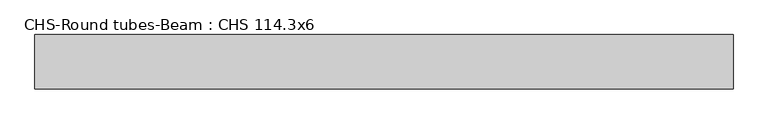
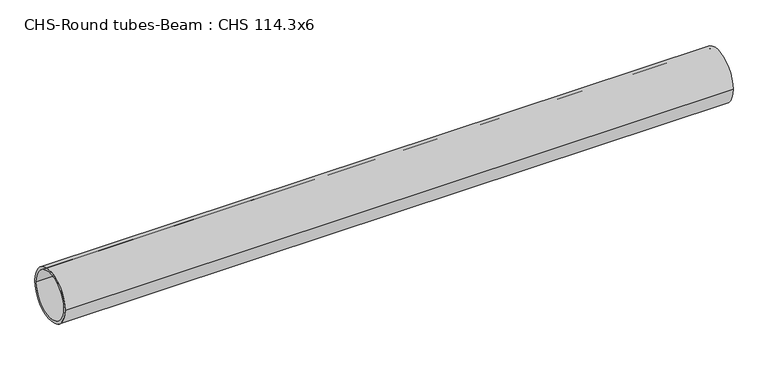
"""IFC4 building model written with IfcOpenShell, lengths in millimetres: beam geometry, CHS-Round tubes-Beam : CHS 114.3x6."""

from ifc_helpers import new_model, si_unit, point, frame, origin, origin_2d, place, context, project, spatial, circle_curve, trimmed, segment, composite_curve, outline, extrude, source, transform, mapped, element, save


def chs_round_tubes_beam_chs_114_3x6_1e14e6a9(model_context):
    return source(origin(), model_context, "Body", "SweptSolid", [
        extrude(outline(composite_curve([segment(trimmed(circle_curve(origin_2d(), 57.15), [point((57.15, 0.0))], [point((-57.15, 0.0))], False, "CARTESIAN"), True, "CONTINUOUS"), segment(trimmed(circle_curve(origin_2d(), 57.15), [point((-57.15, 0.0))], [point((57.15, 0.0))], False, "CARTESIAN"), True, "CONTINUOUS")], self_intersect=False), holes=[composite_curve([segment(trimmed(circle_curve(origin_2d(), 51.15), [point((51.15, 0.0))], [point((-51.15, 0.0))], True, "CARTESIAN"), True, "CONTINUOUS"), segment(trimmed(circle_curve(origin_2d(), 51.15), [point((-51.15, 0.0))], [point((51.15, 0.0))], True, "CARTESIAN"), True, "CONTINUOUS")], self_intersect=False)]), frame((-773.7399036, 0.0, 0.0), z_axis=(1.0, 0.0, 0.0), x_axis=(0.0, 1.0, 0.0)), (0.0, 0.0, 1.0), 1464.2558134),
    ])


if __name__ == "__main__":
    model = new_model("IFC4")
    model_context = context("Model", 3, world=origin())
    ifc_project = project(units=[si_unit("LENGTHUNIT", "METRE", prefix="MILLI")], contexts=[model_context])
    site = spatial("IfcSite", under=ifc_project)
    building = spatial("IfcBuilding", under=site)
    placement = place(None, origin())
    chs_round_tubes_beam_chs_114_3x6_shape = chs_round_tubes_beam_chs_114_3x6_1e14e6a9(model_context)
    element("IfcBeam", 1, ObjectType="CHS-Round tubes-Beam : CHS 114.3x6", at=placement, inside=building, context=model_context, shape_type="MappedRepresentation", body=[
        mapped(chs_round_tubes_beam_chs_114_3x6_shape, transform((0.0, 0.0, 0.0), x_axis=(1.0, 0.0, 0.0), y_axis=(0.0, 1.0, 0.0), z_axis=(0.0, 0.0, 1.0))),
    ])
    save(model, "model.ifc")
